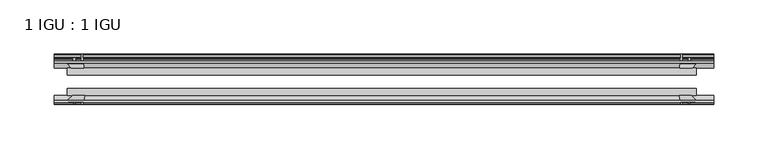
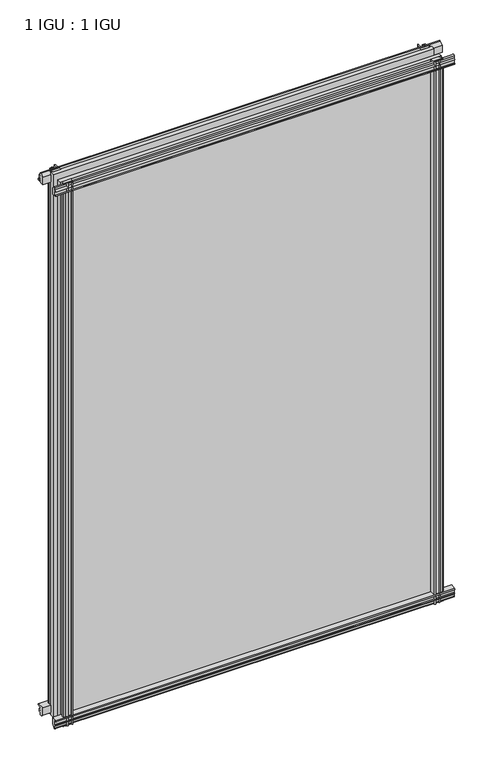
"""IFC4 building model written with IfcOpenShell, lengths in millimetres: plate geometry, 1 IGU : 1 IGU."""

from ifc_helpers import new_model, si_unit, point, frame, frame_2d, origin, place, context, project, spatial, polyline, circle_curve, trimmed, segment, composite_curve, outline, extrude, source, transform, mapped, element, save


def plate_1_igu_1_igu_a2d06426(model_context):
    return source(origin(), model_context, "Body", "SweptSolid", [
        extrude(outline(composite_curve([segment(polyline([(-57.0900403, 1.731044), (-50.00625, 3.0983599), (-50.00625, -7.92383), (-54.1882244, -12.1058044)]), True, "CONTINUOUS"), segment(trimmed(circle_curve(frame_2d((-55.08625, -11.2077788)), 1.27), [point((-54.1882244, -12.1058044))], [point((-56.35625, -11.2077788))], False, "CARTESIAN"), True, "CONTINUOUS"), segment(polyline([(-56.35625, -11.2077788), (-56.35625, -8.0327788), (-57.835546, -5.4488186), (-56.35625, -5.1879788), (-56.35625, 0.2222212), (-57.65913, 0.0383748)]), True, "CONTINUOUS"), segment(trimmed(circle_curve(frame_2d((-56.9150839, 0.7302212)), 1.016), [point((-57.65913, 0.0383748))], [point((-57.0900403, 1.731044))], False, "CARTESIAN"), True, "CONTINUOUS")], self_intersect=False)), frame((-300.7614, 0.0, 0.0), z_axis=(1.0, 0.0, 0.0), x_axis=(0.0, 1.0, 0.0)), (0.0, 0.0, 1.0), 605.5614),
        extrude(outline(composite_curve([segment(polyline([(-24.60625, 2.5763839), (-12.8423053, 1.6478499)]), True, "CONTINUOUS"), segment(trimmed(circle_curve(frame_2d((-12.92225, 0.635)), 1.016), [point((-12.8423053, 1.6478499))], [point((-12.1291353, 0.0))], False, "CARTESIAN"), True, "CONTINUOUS"), segment(polyline([(-12.1291353, 0.0), (-18.25625, 0.0), (-18.25625, -4.953), (-15.9568457, -5.5691235), (-16.3325195, -4.1670901), (-15.4738114, -3.937), (-14.82725, -6.35), (-15.4738114, -8.763), (-16.3325195, -8.5329099), (-15.9568457, -7.1308765), (-18.25625, -7.747), (-18.25625, -12.7), (-20.28825, -12.7), (-24.60625, -9.1036931), (-24.60625, 2.5763839)]), True, "CONTINUOUS")], self_intersect=False)), frame((-300.7614, 0.0, 0.0), z_axis=(1.0, 0.0, 0.0), x_axis=(0.0, 1.0, 0.0)), (0.0, 0.0, 1.0), 605.5614),
        extrude(outline(composite_curve([segment(polyline([(-20.28825, 857.1484), (-18.25625, 857.1484), (-18.25625, 852.1954), (-15.9568457, 851.5792765), (-16.3325195, 852.9813099), (-15.4738114, 853.2114), (-14.82725, 850.7984), (-15.4738114, 848.3854), (-16.3325195, 848.6154901), (-15.9568457, 850.0175235), (-18.25625, 849.4014), (-18.25625, 844.4484), (-12.1291353, 844.4484)]), True, "CONTINUOUS"), segment(trimmed(circle_curve(frame_2d((-12.92225, 843.8134)), 1.016), [point((-12.1291353, 844.4484))], [point((-12.8423053, 842.8005501))], False, "CARTESIAN"), True, "CONTINUOUS"), segment(polyline([(-12.8423053, 842.8005501), (-24.60625, 841.8720161), (-24.60625, 853.5520931), (-20.28825, 857.1484)]), True, "CONTINUOUS")], self_intersect=False)), frame((-300.7614, 0.0, 0.0), z_axis=(1.0, 0.0, 0.0), x_axis=(0.0, 1.0, 0.0)), (0.0, 0.0, 1.0), 605.5614),
        extrude(outline(composite_curve([segment(trimmed(circle_curve(frame_2d((-56.9150839, 843.7181788)), 1.016), [point((-57.0900403, 842.717356))], [point((-57.65913, 844.4100252))], False, "CARTESIAN"), True, "CONTINUOUS"), segment(polyline([(-57.65913, 844.4100252), (-56.35625, 844.2261788), (-56.35625, 849.6363788), (-57.835546, 849.8972186), (-56.35625, 852.4811788), (-56.35625, 855.6561788)]), True, "CONTINUOUS"), segment(trimmed(circle_curve(frame_2d((-55.08625, 855.6561788)), 1.27), [point((-56.35625, 855.6561788))], [point((-54.1882244, 856.5542044))], False, "CARTESIAN"), True, "CONTINUOUS"), segment(polyline([(-54.1882244, 856.5542044), (-50.00625, 852.37223), (-50.00625, 841.3500401), (-57.0900403, 842.717356)]), True, "CONTINUOUS")], self_intersect=False)), frame((-300.7614, 0.0, 0.0), z_axis=(1.0, 0.0, 0.0), x_axis=(0.0, 1.0, 0.0)), (0.0, 0.0, 1.0), 605.5614),
        extrude(outline(composite_curve([segment(polyline([(273.6486161, -24.60625), (274.5771501, -12.8423053)]), True, "CONTINUOUS"), segment(trimmed(circle_curve(frame_2d((275.59, -12.92225)), 1.016), [point((274.5771501, -12.8423053))], [point((276.225, -12.1291353))], False, "CARTESIAN"), True, "CONTINUOUS"), segment(polyline([(276.225, -12.1291353), (276.225, -18.25625), (281.178, -18.25625), (281.7941235, -15.9568457), (280.3920901, -16.3325195), (280.162, -15.4738114), (282.575, -14.82725), (284.988, -15.4738114), (284.7579099, -16.3325195), (283.3558765, -15.9568457), (283.972, -18.25625), (288.925, -18.25625), (288.925, -20.28825), (285.3286931, -24.60625), (273.6486161, -24.60625)]), True, "CONTINUOUS")], self_intersect=False)), frame((0.0, 0.0, -12.7), z_axis=(0.0, 0.0, 1.0), x_axis=(1.0, 0.0, 0.0)), (0.0, 0.0, 1.0), 869.8484),
        extrude(outline(composite_curve([segment(polyline([(281.4129788, -56.35625), (276.0027788, -56.35625), (276.1866252, -57.65913)]), True, "CONTINUOUS"), segment(trimmed(circle_curve(frame_2d((275.4947788, -56.9150839)), 1.016), [point((276.1866252, -57.65913))], [point((274.493956, -57.0900403))], False, "CARTESIAN"), True, "CONTINUOUS"), segment(polyline([(274.493956, -57.0900403), (273.1266401, -50.00625), (284.14883, -50.00625), (288.3308044, -54.1882244)]), True, "CONTINUOUS"), segment(trimmed(circle_curve(frame_2d((287.4327788, -55.08625)), 1.27), [point((288.3308044, -54.1882244))], [point((287.4327788, -56.35625))], False, "CARTESIAN"), True, "CONTINUOUS"), segment(polyline([(287.4327788, -56.35625), (284.2577788, -56.35625), (281.6738186, -57.835546), (281.4129788, -56.35625)]), True, "CONTINUOUS")], self_intersect=False)), frame((0.0, 0.0, -12.7), z_axis=(0.0, 0.0, 1.0), x_axis=(1.0, 0.0, 0.0)), (0.0, 0.0, 1.0), 869.8484),
        extrude(outline(composite_curve([segment(polyline([(-273.6486161, -24.60625), (-285.3286931, -24.60625), (-288.925, -20.28825), (-288.925, -18.25625), (-283.972, -18.25625), (-283.3558765, -15.9568457), (-284.7579099, -16.3325195), (-284.988, -15.4738114), (-282.575, -14.82725), (-280.162, -15.4738114), (-280.3920901, -16.3325195), (-281.7941235, -15.9568457), (-281.178, -18.25625), (-276.225, -18.25625), (-276.225, -12.1291353)]), True, "CONTINUOUS"), segment(trimmed(circle_curve(frame_2d((-275.59, -12.92225)), 1.016), [point((-276.225, -12.1291353))], [point((-274.5771501, -12.8423053))], False, "CARTESIAN"), True, "CONTINUOUS"), segment(polyline([(-274.5771501, -12.8423053), (-273.6486161, -24.60625)]), True, "CONTINUOUS")], self_intersect=False)), frame((0.0, 0.0, -12.7), z_axis=(0.0, 0.0, 1.0), x_axis=(1.0, 0.0, 0.0)), (0.0, 0.0, 1.0), 869.8484),
        extrude(outline(composite_curve([segment(polyline([(-273.1266401, -50.00625), (-274.493956, -57.0900403)]), True, "CONTINUOUS"), segment(trimmed(circle_curve(frame_2d((-275.4947788, -56.9150839)), 1.016), [point((-274.493956, -57.0900403))], [point((-276.1866252, -57.65913))], False, "CARTESIAN"), True, "CONTINUOUS"), segment(polyline([(-276.1866252, -57.65913), (-276.0027788, -56.35625), (-281.4129788, -56.35625), (-281.6738186, -57.835546), (-284.2577788, -56.35625), (-287.4327788, -56.35625)]), True, "CONTINUOUS"), segment(trimmed(circle_curve(frame_2d((-287.4327788, -55.08625)), 1.27), [point((-287.4327788, -56.35625))], [point((-288.3308044, -54.1882244))], False, "CARTESIAN"), True, "CONTINUOUS"), segment(polyline([(-288.3308044, -54.1882244), (-284.14883, -50.00625), (-273.1266401, -50.00625)]), True, "CONTINUOUS")], self_intersect=False)), frame((0.0, 0.0, -12.7), z_axis=(0.0, 0.0, 1.0), x_axis=(1.0, 0.0, 0.0)), (0.0, 0.0, 1.0), 869.8484),
        extrude(outline(polyline([(-288.925, -24.60625), (288.925, -24.60625), (288.925, -30.95625), (-288.925, -30.95625), (-288.925, -24.60625)])), frame((0.0, 0.0, -12.7), z_axis=(0.0, 0.0, 1.0), x_axis=(1.0, 0.0, 0.0)), (0.0, 0.0, 1.0), 869.8484),
        extrude(outline(polyline([(288.925, -43.65625), (288.925, -50.00625), (-288.925, -50.00625), (-288.925, -43.65625), (288.925, -43.65625)])), frame((0.0, 0.0, -12.7), z_axis=(0.0, 0.0, 1.0), x_axis=(1.0, 0.0, 0.0)), (0.0, 0.0, 1.0), 869.8484),
    ])


if __name__ == "__main__":
    model = new_model("IFC4")
    model_context = context("Model", 3, world=origin())
    ifc_project = project(units=[si_unit("LENGTHUNIT", "METRE", prefix="MILLI")], contexts=[model_context])
    site = spatial("IfcSite", under=ifc_project)
    building = spatial("IfcBuilding", under=site)
    placement = place(None, origin())
    plate_1_igu_1_igu_shape = plate_1_igu_1_igu_a2d06426(model_context)
    element("IfcPlate", 1, ObjectType="1 IGU : 1 IGU", at=placement, inside=building, context=model_context, shape_type="MappedRepresentation", body=[
        mapped(plate_1_igu_1_igu_shape, transform((0.0, 0.0, 0.0), x_axis=(1.0, 0.0, 0.0), y_axis=(0.0, 1.0, 0.0), z_axis=(0.0, 0.0, 1.0))),
    ])
    save(model, "model.ifc")
